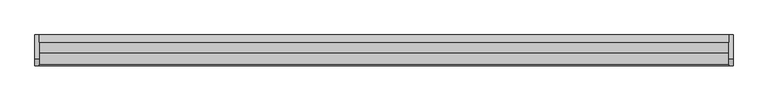
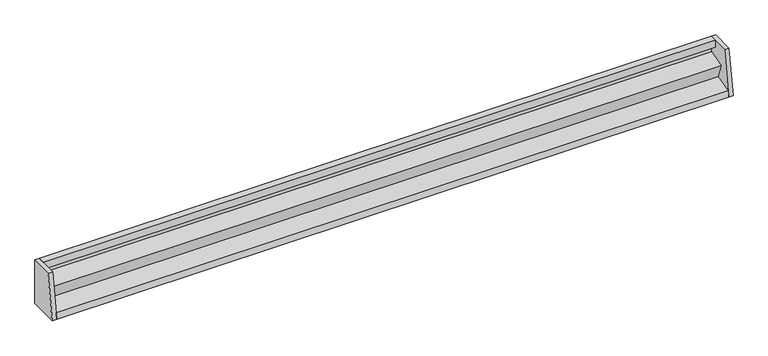
"""IFC4 building model written with IfcOpenShell, lengths in millimetres: furniture geometry."""

from ifc_helpers import new_model, si_unit, frame, origin, place, context, project, spatial, polyline, outline, extrude, source, transform, mapped, element, save


def furniture_aef4460a(model_context):
    return source(origin(), model_context, "Body", "SweptSolid", [
        extrude(outline(polyline([(14.2875, 1528.7625), (26.9875, 1528.7625), (26.9875, 1446.2125), (-26.9875, 1446.2125), (-25.2857, 1457.26912), (5.38226, 1465.48602), (-4.11226, 1492.08236), (26.19375, 1500.4161), (26.19375, 1516.0625), (14.2875, 1516.0625), (14.2875, 1528.7625)])), frame((-601.6625, 0.0, 0.0), z_axis=(1.0, 0.0, 0.0), x_axis=(0.0, 1.0, 0.0)), (0.0, 0.0, 1.0), 1203.325),
        extrude(outline(polyline([(-14.2875, 1528.7625), (26.9875, 1528.7625), (26.9875, 1446.2125), (-26.9875, 1446.2125), (-14.2875, 1528.7625)])), frame((-609.6, 0.0, 0.0), z_axis=(1.0, 0.0, 0.0), x_axis=(0.0, 1.0, 0.0)), (0.0, 0.0, 1.0), 7.9375),
        extrude(outline(polyline([(-14.2875, 1528.7625), (26.9875, 1528.7625), (26.9875, 1446.2125), (-26.9875, 1446.2125), (-14.2875, 1528.7625)])), frame((601.6625, 0.0, 0.0), z_axis=(1.0, 0.0, 0.0), x_axis=(0.0, 1.0, 0.0)), (0.0, 0.0, 1.0), 7.9375),
    ])


if __name__ == "__main__":
    model = new_model("IFC4")
    model_context = context("Model", 3, world=origin())
    ifc_project = project(units=[si_unit("LENGTHUNIT", "METRE", prefix="MILLI")], contexts=[model_context])
    site = spatial("IfcSite", under=ifc_project)
    building = spatial("IfcBuilding", under=site)
    placement = place(None, origin())
    furniture_shape = furniture_aef4460a(model_context)
    element("IfcFurniture", 1, at=placement, inside=building, context=model_context, shape_type="MappedRepresentation", body=[
        mapped(furniture_shape, transform((0.0, 0.0, 0.0), x_axis=(1.0, 0.0, 0.0), y_axis=(0.0, 1.0, 0.0), z_axis=(0.0, 0.0, 1.0))),
    ])
    save(model, "model.ifc")
